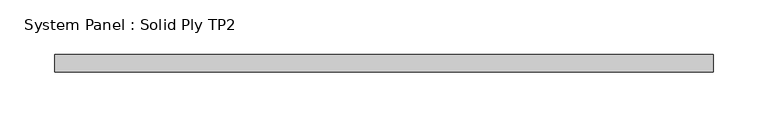
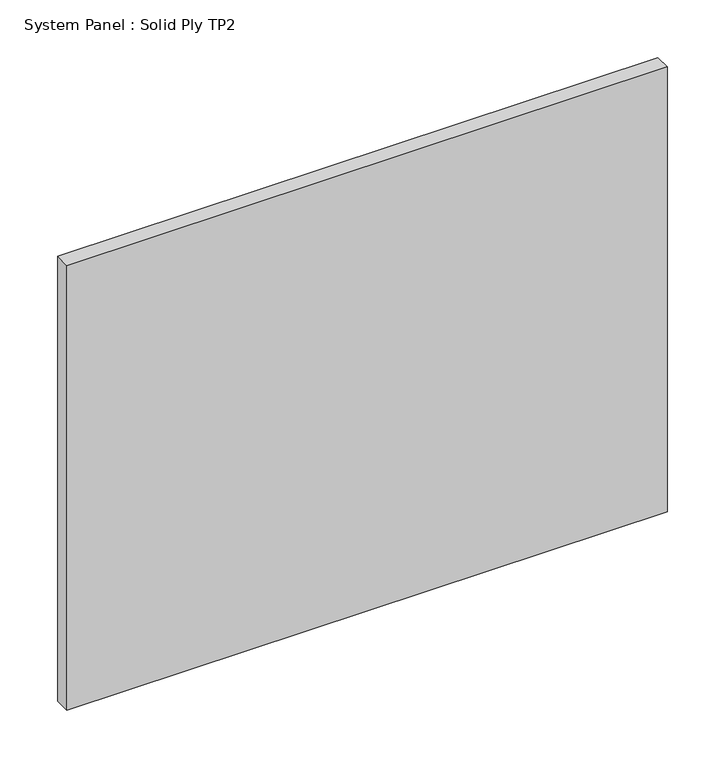
"""IFC4 building model written with IfcOpenShell, lengths in millimetres: plate geometry, System Panel : Solid Ply TP2."""

from ifc_helpers import new_model, si_unit, origin, origin_with_axes, place, context, project, spatial, polyline, outline, extrude, source, transform, mapped, element, save


def system_panel_solid_ply_tp2_9b2b9d5e(model_context):
    return source(origin(), model_context, "Body", "SweptSolid", [
        extrude(outline(polyline([(299.99972, -23.0), (-299.99972, -23.0), (-299.99972, -7.0), (299.99972, -7.0), (299.99972, -23.0)])), origin_with_axes(), (0.0, 0.0, 1.0), 470.0),
    ])


if __name__ == "__main__":
    model = new_model("IFC4")
    model_context = context("Model", 3, world=origin())
    ifc_project = project(units=[si_unit("LENGTHUNIT", "METRE", prefix="MILLI")], contexts=[model_context])
    site = spatial("IfcSite", under=ifc_project)
    building = spatial("IfcBuilding", under=site)
    placement = place(None, origin())
    system_panel_solid_ply_tp2_shape = system_panel_solid_ply_tp2_9b2b9d5e(model_context)
    element("IfcPlate", 1, ObjectType="System Panel : Solid Ply TP2", at=placement, inside=building, context=model_context, shape_type="MappedRepresentation", body=[
        mapped(system_panel_solid_ply_tp2_shape, transform((0.0, 0.0, 0.0), x_axis=(1.0, 0.0, 0.0), y_axis=(0.0, 1.0, 0.0), z_axis=(0.0, 0.0, 1.0))),
    ])
    save(model, "model.ifc")
